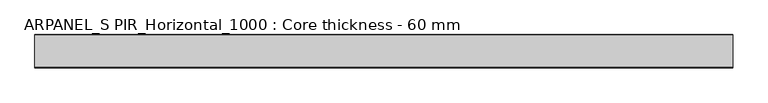
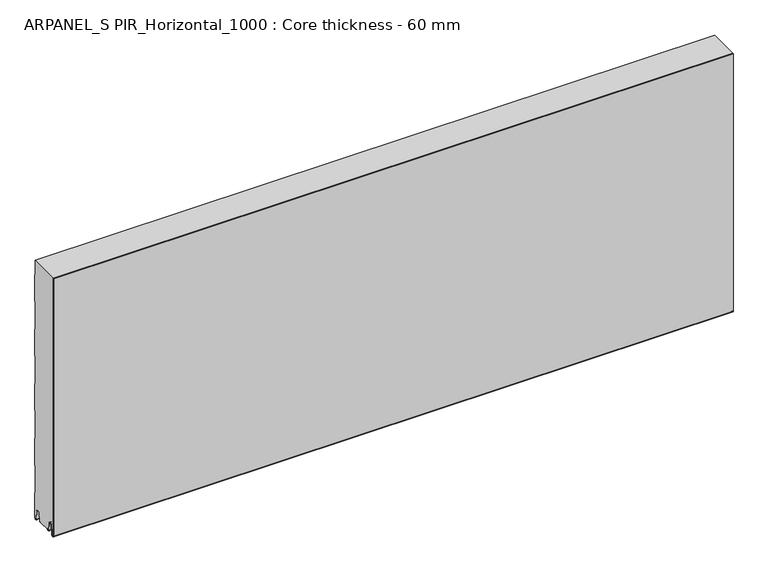
"""IFC4 building model written with IfcOpenShell, lengths in millimetres: plate geometry, ARPANEL_S PIR_Horizontal_1000 : Core thickness - 60 mm."""

from ifc_helpers import new_model, si_unit, frame, origin, place, context, project, spatial, polyline, circle_curve, source, transform, mapped, element, save
from ifc_brep_helpers import plane_surface, cylinder_surface, revolved_surface, advanced_brep


def arpanel_s_pir_horizontal_1000_core_thickness_60_mm_fd21628b(model_context):
    return source(origin(), model_context, "Body", "AdvancedBrep", [
        advanced_brep(
        [(620.0, -59.9996949, 3.0900682), (620.0, -53.81449, 2.7875612), (620.0, -52.197116, 19.2828169), (620.0, -49.1776715, 21.9898782), (620.0, -46.1582271, 19.2828169), (620.0, -44.7725998, 5.1510966), (620.0, -40.3830995, 5.365779), (620.0, -41.1830995, 5.365779), (620.0, -43.9764178, 5.2291629), (620.0, -45.3620451, 19.3608832), (620.0, -49.1776715, 22.7899182), (620.0, -52.9932979, 19.3608832), (620.0, -54.6106719, 2.8656275), (620.0, -59.1996949, 3.0900682), (620.0, -59.2, 500.0), (620.0, -59.9996949, 500.0), (-620.0, -59.1996949, 3.0900682), (-620.0, -54.6106719, 2.8656275), (-620.0, -52.9932979, 19.3608832), (-620.0, -49.1776715, 22.7899182), (-620.0, -45.3620451, 19.3608832), (-620.0, -43.9764178, 5.2291629), (-620.0, -41.1830995, 5.365779), (-620.0, -40.3830995, 5.365779), (-620.0, -44.7725998, 5.1510966), (-620.0, -46.1582271, 19.2828169), (-620.0, -49.1776715, 21.9898782), (-620.0, -52.197116, 19.2828169), (-620.0, -53.81449, 2.7875612), (-620.0, -59.9996949, 3.0900682), (-620.0, -59.9996949, 500.0), (-620.0, -59.2, 500.0)],
        [
            (0, 1, circle_curve(frame((620.0, -56.8996949, 3.0900682), z_axis=(1.0, 0.0, 0.0), x_axis=(0.0, 0.0, -1.0)), 3.1)),
            (1, 2),
            (2, 3, circle_curve(frame((620.0, -49.2114338, 18.9900682), z_axis=(-1.0, 0.0, 0.0), x_axis=(0.0, 0.0, -1.0)), 3.0)),
            (3, 4, circle_curve(frame((620.0, -49.1439093, 18.9900682), z_axis=(-1.0, 0.0, 0.0), x_axis=(0.0, 0.0, -1.0)), 3.0)),
            (4, 5),
            (5, 6, circle_curve(frame((620.0, -42.5830995, 5.365779), z_axis=(1.0, 0.0, 0.0), x_axis=(0.0, 0.0, -1.0)), 2.2)),
            (6, 7),
            (7, 8, circle_curve(frame((620.0, -42.5830995, 5.365779), z_axis=(-1.0, 0.0, 0.0), x_axis=(0.0, 0.0, -1.0)), 1.4)),
            (8, 9),
            (9, 10, circle_curve(frame((620.0, -49.1439093, 18.9900682), z_axis=(1.0, 0.0, 0.0), x_axis=(0.0, 0.0, -1.0)), 3.8)),
            (10, 11, circle_curve(frame((620.0, -49.2114338, 18.9900682), z_axis=(1.0, 0.0, 0.0), x_axis=(0.0, 0.0, -1.0)), 3.8)),
            (11, 12),
            (12, 13, circle_curve(frame((620.0, -56.8996949, 3.0900682), z_axis=(-1.0, 0.0, 0.0), x_axis=(0.0, 0.0, -1.0)), 2.3)),
            (13, 14),
            (14, 15),
            (15, 0),
            (16, 17, circle_curve(frame((-620.0, -56.8996949, 3.0900682), z_axis=(1.0, 0.0, 0.0), x_axis=(0.0, 0.0, -1.0)), 2.3)),
            (17, 18),
            (18, 19, circle_curve(frame((-620.0, -49.2114338, 18.9900682), z_axis=(-1.0, 0.0, 0.0), x_axis=(0.0, 0.0, -1.0)), 3.8)),
            (19, 20, circle_curve(frame((-620.0, -49.1439093, 18.9900682), z_axis=(-1.0, 0.0, 0.0), x_axis=(0.0, 0.0, -1.0)), 3.8)),
            (20, 21),
            (21, 22, circle_curve(frame((-620.0, -42.5830995, 5.365779), z_axis=(1.0, 0.0, 0.0), x_axis=(0.0, 0.0, -1.0)), 1.4)),
            (22, 23),
            (23, 24, circle_curve(frame((-620.0, -42.5830995, 5.365779), z_axis=(-1.0, 0.0, 0.0), x_axis=(0.0, 0.0, -1.0)), 2.2)),
            (24, 25),
            (25, 26, circle_curve(frame((-620.0, -49.1439093, 18.9900682), z_axis=(1.0, 0.0, 0.0), x_axis=(0.0, 0.0, -1.0)), 3.0)),
            (26, 27, circle_curve(frame((-620.0, -49.2114338, 18.9900682), z_axis=(1.0, 0.0, 0.0), x_axis=(0.0, 0.0, -1.0)), 3.0)),
            (27, 28),
            (28, 29, circle_curve(frame((-620.0, -56.8996949, 3.0900682), z_axis=(-1.0, 0.0, 0.0), x_axis=(0.0, 0.0, -1.0)), 3.1)),
            (29, 30),
            (30, 31),
            (31, 16),
            (13, 16),
            (31, 14),
            (12, 17),
            (11, 18),
            (10, 19),
            (9, 20),
            (8, 21),
            (7, 22),
            (6, 23),
            (5, 24),
            (4, 25),
            (3, 26),
            (2, 27),
            (1, 28),
            (0, 29),
            (15, 30),
        ],
        [
            plane_surface(frame((620.0, -60.0, 0.0), z_axis=(1.0, 0.0, 0.0), x_axis=(0.0, 1.0, 0.0))),
            plane_surface(frame((-620.0, -60.0, 0.0), z_axis=(-1.0, 0.0, 0.0), x_axis=(0.0, 1.0, 0.0))),
            plane_surface(frame((620.0, -59.2, 3.0900682), z_axis=(0.0, 1.0, 0.0), x_axis=(-1.0, 0.0, 0.0))),
            revolved_surface(polyline([(-620.0, -56.8996949, 0.7900682000000003), (620.0, -56.8996949, 0.7900682000000003)]), (620.0, -56.8996949, 3.0900682), (-1.0, 0.0, 0.0)),
            plane_surface(frame((620.0, -52.9932979, 19.3608832), z_axis=(0.0, -0.9952273999818314, 0.09758289975914787), x_axis=(-1.0, 0.0, 0.0))),
            cylinder_surface(frame((620.0, -49.2114338, 18.9900682), z_axis=(1.0, 0.0, 0.0), x_axis=(0.0, 0.0, -1.0)), 3.8),
            cylinder_surface(frame((620.0, -49.1439093, 18.9900682), z_axis=(1.0, 0.0, 0.0), x_axis=(0.0, 0.0, -1.0)), 3.8),
            plane_surface(frame((620.0, -43.9764178, 5.2291629), z_axis=(0.0, 0.9952273999818297, 0.09758289975916531), x_axis=(-1.0, 0.0, 0.0))),
            revolved_surface(polyline([(-620.0, -42.5830995, 3.965779), (620.0, -42.5830995, 3.965779)]), (620.0, -42.5830995, 5.365779), (-1.0, 0.0, 0.0)),
            plane_surface(frame((620.0, -40.3830995, 5.365779), z_axis=(0.0, 0.0, 1.0), x_axis=(-1.0, 0.0, 0.0))),
            cylinder_surface(frame((620.0, -42.5830995, 5.365779), z_axis=(1.0, 0.0, 0.0), x_axis=(0.0, 0.0, -1.0)), 2.2),
            plane_surface(frame((620.0, -46.1582271, 19.2828169), z_axis=(0.0, -0.9952273999818296, -0.09758289975916527), x_axis=(-1.0, 0.0, 0.0))),
            revolved_surface(polyline([(-620.0, -49.1439093, 15.9900682), (620.0, -49.1439093, 15.9900682)]), (620.0, -49.1439093, 18.9900682), (-1.0, 0.0, 0.0)),
            revolved_surface(polyline([(-620.0, -49.2114338, 15.9900682), (620.0, -49.2114338, 15.9900682)]), (620.0, -49.2114338, 18.9900682), (-1.0, 0.0, 0.0)),
            plane_surface(frame((620.0, -53.81449, 2.7875612), z_axis=(0.0, 0.9952273999818314, -0.09758289975914787), x_axis=(-1.0, 0.0, 0.0))),
            cylinder_surface(frame((620.0, -56.8996949, 3.0900682), z_axis=(1.0, 0.0, 0.0), x_axis=(0.0, 0.0, -1.0)), 3.1),
            plane_surface(frame((620.0, -59.9996949, 993.9000005), z_axis=(0.0, -1.0, 0.0), x_axis=(-1.0, 0.0, 0.0))),
            plane_surface(frame((-620.0, 134.0533409, 500.0), z_axis=(0.0, 0.0, 1.0), x_axis=(1.0, 0.0, 0.0))),
        ],
        [
            (0, [[1, 2, 3, 4, 5, 6, 7, 8, 9, 10, 11, 12, 13, 14, 15, 16]]),
            (1, [[17, 18, 19, 20, 21, 22, 23, 24, 25, 26, 27, 28, 29, 30, 31, 32]]),
            (2, [[33, -32, 34, -14]]),
            (3, [[-13, 35, -17, -33]]),
            (4, [[-12, 36, -18, -35]]),
            (5, [[-11, 37, -19, -36]]),
            (6, [[-10, 38, -20, -37]]),
            (7, [[-9, 39, -21, -38]]),
            (8, [[-8, 40, -22, -39]]),
            (9, [[-7, 41, -23, -40]]),
            (10, [[-6, 42, -24, -41]]),
            (11, [[-5, 43, -25, -42]]),
            (12, [[-4, 44, -26, -43]]),
            (13, [[-3, 45, -27, -44]]),
            (14, [[-2, 46, -28, -45]]),
            (15, [[-1, 47, -29, -46]]),
            (16, [[-47, -16, 48, -30]]),
            (17, [[-15, -34, -31, -48]]),
        ],
    ),
        advanced_brep(
        [(620.0, -19.3897461, 4.3921875), (620.0, -19.6169005, 5.365779), (620.0, -18.8169005, 5.365779), (620.0, -16.0235822, 5.2291629), (620.0, -14.6379549, 19.3608832), (620.0, -10.8223285, 22.7899182), (620.0, -7.0067021, 19.3608832), (620.0, -5.3893281, 2.8656275), (620.0, -0.8003051, 3.0900682), (620.0, -0.8, 49.9459237), (620.0, -1.0986697, 50.9973395), (620.0, -1.5003051, 52.4177205), (620.0, -1.5003051, 102.5775037), (620.0, -1.0971009, 103.9969151), (620.0, -0.8, 105.0493005), (620.0, -0.8, 155.2090837), (620.0, -1.0986697, 156.2604995), (620.0, -1.5003051, 157.6808805), (620.0, -1.5003051, 207.8406637), (620.0, -1.0971009, 209.2600751), (620.0, -0.8, 210.3124605), (620.0, -0.8, 260.4722437), (620.0, -1.0986697, 261.5236595), (620.0, -1.5003051, 262.9440405), (620.0, -1.5003051, 313.1038237), (620.0, -1.0971009, 314.5232351), (620.0, -0.8, 315.5756205), (620.0, -0.8, 365.7354037), (620.0, -1.0986697, 366.7868195), (620.0, -1.5003051, 368.2072005), (620.0, -1.5003051, 418.3669837), (620.0, -1.0971009, 419.7863951), (620.0, -0.8, 420.8387805), (620.0, -0.8, 470.9985637), (620.0, -1.0986697, 472.0499795), (620.0, -1.5003051, 473.4703605), (620.0, -1.5003051, 500.0), (620.0, -59.2, 500.0), (620.0, -59.2, 3.0900682), (620.0, -54.6106719, 2.8656275), (620.0, -52.9932979, 19.3608832), (620.0, -49.1776715, 22.7899182), (620.0, -45.3620451, 19.3608832), (620.0, -43.9764178, 5.2291629), (620.0, -41.1830995, 5.365779), (620.0, -40.3830995, 5.365779), (620.0, -40.6102539, 4.3921875), (-620.0, -19.6169005, 5.365779), (-620.0, -19.3897461, 4.3921875), (-620.0, -40.6102539, 4.3921875), (-620.0, -40.3830995, 5.365779), (-620.0, -41.1830995, 5.365779), (-620.0, -41.5446132, 4.4268721), (-620.0, -43.9764178, 5.2291629), (-620.0, -45.3620451, 19.3608832), (-620.0, -49.1776715, 22.7899182), (-620.0, -52.9932979, 19.3608832), (-620.0, -54.6106719, 2.8656275), (-620.0, -59.1996949, 3.0900682), (-620.0, -59.2, 500.0), (-620.0, -1.5003051, 500.0), (-620.0, -1.5003051, 473.4703605), (-620.0, -1.0971009, 472.0509491), (-620.0, -0.8, 470.9985637), (-620.0, -0.8, 420.8387805), (-620.0, -1.0986697, 419.7873646), (-620.0, -1.5003051, 418.3669837), (-620.0, -1.5003051, 368.2072005), (-620.0, -1.0971009, 366.7877891), (-620.0, -0.8, 365.7354037), (-620.0, -0.8, 315.5756205), (-620.0, -1.0986697, 314.5242046), (-620.0, -1.5003051, 313.1038237), (-620.0, -1.5003051, 262.9440405), (-620.0, -1.0971009, 261.5246291), (-620.0, -0.8, 260.4722437), (-620.0, -0.8, 210.3124605), (-620.0, -1.0986697, 209.2610446), (-620.0, -1.5003051, 207.8406637), (-620.0, -1.5003051, 157.6808805), (-620.0, -1.0971009, 156.2614691), (-620.0, -0.8, 155.2090837), (-620.0, -0.8, 105.0493005), (-620.0, -1.0986697, 103.9978846), (-620.0, -1.5003051, 102.5775037), (-620.0, -1.5003051, 52.4177205), (-620.0, -1.0971009, 50.9983091), (-620.0, -0.8, 49.9459237), (-620.0, -0.8, 3.0900682), (-620.0, -5.3893281, 2.8656275), (-620.0, -7.0067021, 19.3608832), (-620.0, -10.8223285, 22.7899182), (-620.0, -14.6379549, 19.3608832), (-620.0, -16.0235822, 5.2291629), (-620.0, -18.4553868, 4.4268721), (-620.0, -18.8169005, 5.365779)],
        [
            (0, 1, circle_curve(frame((620.0, -17.4169005, 5.365779), z_axis=(-1.0, 0.0, 0.0), x_axis=(0.0, 0.0, -1.0)), 2.2)),
            (1, 2),
            (2, 3, circle_curve(frame((620.0, -17.4169005, 5.365779), z_axis=(1.0, 0.0, 0.0), x_axis=(0.0, 0.0, -1.0)), 1.4)),
            (3, 4),
            (4, 5, circle_curve(frame((620.0, -10.8560907, 18.9900682), z_axis=(-1.0, 0.0, 0.0), x_axis=(0.0, 0.0, -1.0)), 3.8)),
            (5, 6, circle_curve(frame((620.0, -10.7885662, 18.9900682), z_axis=(-1.0, 0.0, 0.0), x_axis=(0.0, 0.0, -1.0)), 3.8)),
            (6, 7),
            (7, 8, circle_curve(frame((620.0, -3.1003051, 3.0900682), z_axis=(1.0, 0.0, 0.0), x_axis=(0.0, 0.0, -1.0)), 2.3)),
            (8, 9),
            (9, 10, circle_curve(frame((620.0, -2.8, 49.9459237), z_axis=(1.0, 0.0, 0.0), x_axis=(0.0, 0.0, -1.0)), 2.0)),
            (10, 11, circle_curve(frame((620.0, 1.1996949, 52.4177205), z_axis=(-1.0, 0.0, 0.0), x_axis=(0.0, 0.0, -1.0)), 2.7)),
            (11, 12),
            (12, 13, circle_curve(frame((620.0, 1.1996949, 102.5775037), z_axis=(-1.0, 0.0, 0.0), x_axis=(0.0, 0.0, -1.0)), 2.7)),
            (13, 14, circle_curve(frame((620.0, -2.8, 105.0493005), z_axis=(1.0, 0.0, 0.0), x_axis=(0.0, 0.0, -1.0)), 2.0)),
            (14, 15),
            (15, 16, circle_curve(frame((620.0, -2.8, 155.2090837), z_axis=(1.0, 0.0, 0.0), x_axis=(0.0, 0.0, -1.0)), 2.0)),
            (16, 17, circle_curve(frame((620.0, 1.1996949, 157.6808805), z_axis=(-1.0, 0.0, 0.0), x_axis=(0.0, 0.0, -1.0)), 2.7)),
            (17, 18),
            (18, 19, circle_curve(frame((620.0, 1.1996949, 207.8406637), z_axis=(-1.0, 0.0, 0.0), x_axis=(0.0, 0.0, -1.0)), 2.7)),
            (19, 20, circle_curve(frame((620.0, -2.8, 210.3124605), z_axis=(1.0, 0.0, 0.0), x_axis=(0.0, 0.0, -1.0)), 2.0)),
            (20, 21),
            (21, 22, circle_curve(frame((620.0, -2.8, 260.4722437), z_axis=(1.0, 0.0, 0.0), x_axis=(0.0, 0.0, -1.0)), 2.0)),
            (22, 23, circle_curve(frame((620.0, 1.1996949, 262.9440405), z_axis=(-1.0, 0.0, 0.0), x_axis=(0.0, 0.0, -1.0)), 2.7)),
            (23, 24),
            (24, 25, circle_curve(frame((620.0, 1.1996949, 313.1038237), z_axis=(-1.0, 0.0, 0.0), x_axis=(0.0, 0.0, -1.0)), 2.7)),
            (25, 26, circle_curve(frame((620.0, -2.8, 315.5756205), z_axis=(1.0, 0.0, 0.0), x_axis=(0.0, 0.0, -1.0)), 2.0)),
            (26, 27),
            (27, 28, circle_curve(frame((620.0, -2.8, 365.7354037), z_axis=(1.0, 0.0, 0.0), x_axis=(0.0, 0.0, -1.0)), 2.0)),
            (28, 29, circle_curve(frame((620.0, 1.1996949, 368.2072005), z_axis=(-1.0, 0.0, 0.0), x_axis=(0.0, 0.0, -1.0)), 2.7)),
            (29, 30),
            (30, 31, circle_curve(frame((620.0, 1.1996949, 418.3669837), z_axis=(-1.0, 0.0, 0.0), x_axis=(0.0, 0.0, -1.0)), 2.7)),
            (31, 32, circle_curve(frame((620.0, -2.8, 420.8387805), z_axis=(1.0, 0.0, 0.0), x_axis=(0.0, 0.0, -1.0)), 2.0)),
            (32, 33),
            (33, 34, circle_curve(frame((620.0, -2.8, 470.9985637), z_axis=(1.0, 0.0, 0.0), x_axis=(0.0, 0.0, -1.0)), 2.0)),
            (34, 35, circle_curve(frame((620.0, 1.1996949, 473.4703605), z_axis=(-1.0, 0.0, 0.0), x_axis=(0.0, 0.0, -1.0)), 2.7)),
            (35, 36),
            (36, 37),
            (37, 38),
            (38, 39, circle_curve(frame((620.0, -56.8996949, 3.0900682), z_axis=(1.0, 0.0, 0.0), x_axis=(0.0, 0.0, -1.0)), 2.3)),
            (39, 40),
            (40, 41, circle_curve(frame((620.0, -49.2114338, 18.9900682), z_axis=(-1.0, 0.0, 0.0), x_axis=(0.0, 0.0, -1.0)), 3.8)),
            (41, 42, circle_curve(frame((620.0, -49.1439093, 18.9900682), z_axis=(-1.0, 0.0, 0.0), x_axis=(0.0, 0.0, -1.0)), 3.8)),
            (42, 43),
            (43, 44, circle_curve(frame((620.0, -42.5830995, 5.365779), z_axis=(1.0, 0.0, 0.0), x_axis=(0.0, 0.0, -1.0)), 1.4)),
            (44, 45),
            (45, 46, circle_curve(frame((620.0, -42.5830995, 5.365779), z_axis=(-1.0, 0.0, 0.0), x_axis=(0.0, 0.0, -1.0)), 2.2)),
            (46, 0),
            (47, 48, circle_curve(frame((-620.0, -17.4169005, 5.365779), z_axis=(1.0, 0.0, 0.0), x_axis=(0.0, 0.0, -1.0)), 2.2)),
            (48, 49),
            (49, 50, circle_curve(frame((-620.0, -42.5830995, 5.365779), z_axis=(1.0, 0.0, 0.0), x_axis=(0.0, 0.0, -1.0)), 2.2)),
            (50, 51),
            (51, 52, circle_curve(frame((-620.0, -42.5830995, 5.365779), z_axis=(-1.0, 0.0, 0.0), x_axis=(0.0, 0.0, -1.0)), 1.4)),
            (52, 53, circle_curve(frame((-620.0, -42.5830995, 5.365779), z_axis=(-1.0, 0.0, 0.0), x_axis=(0.0, 0.0, -1.0)), 1.4)),
            (53, 54),
            (54, 55, circle_curve(frame((-620.0, -49.1439093, 18.9900682), z_axis=(1.0, 0.0, 0.0), x_axis=(0.0, 0.0, -1.0)), 3.8)),
            (55, 56, circle_curve(frame((-620.0, -49.2114338, 18.9900682), z_axis=(1.0, 0.0, 0.0), x_axis=(0.0, 0.0, -1.0)), 3.8)),
            (56, 57),
            (57, 58, circle_curve(frame((-620.0, -56.8996949, 3.0900682), z_axis=(-1.0, 0.0, 0.0), x_axis=(0.0, 0.0, -1.0)), 2.3)),
            (58, 59),
            (59, 60),
            (60, 61),
            (61, 62, circle_curve(frame((-620.0, 1.1996949, 473.4703605), z_axis=(1.0, 0.0, 0.0), x_axis=(0.0, 0.0, -1.0)), 2.7)),
            (62, 63, circle_curve(frame((-620.0, -2.8, 470.9985637), z_axis=(-1.0, 0.0, 0.0), x_axis=(0.0, 0.0, -1.0)), 2.0)),
            (63, 64),
            (64, 65, circle_curve(frame((-620.0, -2.8, 420.8387805), z_axis=(-1.0, 0.0, 0.0), x_axis=(0.0, 0.0, -1.0)), 2.0)),
            (65, 66, circle_curve(frame((-620.0, 1.1996949, 418.3669837), z_axis=(1.0, 0.0, 0.0), x_axis=(0.0, 0.0, -1.0)), 2.7)),
            (66, 67),
            (67, 68, circle_curve(frame((-620.0, 1.1996949, 368.2072005), z_axis=(1.0, 0.0, 0.0), x_axis=(0.0, 0.0, -1.0)), 2.7)),
            (68, 69, circle_curve(frame((-620.0, -2.8, 365.7354037), z_axis=(-1.0, 0.0, 0.0), x_axis=(0.0, 0.0, -1.0)), 2.0)),
            (69, 70),
            (70, 71, circle_curve(frame((-620.0, -2.8, 315.5756205), z_axis=(-1.0, 0.0, 0.0), x_axis=(0.0, 0.0, -1.0)), 2.0)),
            (71, 72, circle_curve(frame((-620.0, 1.1996949, 313.1038237), z_axis=(1.0, 0.0, 0.0), x_axis=(0.0, 0.0, -1.0)), 2.7)),
            (72, 73),
            (73, 74, circle_curve(frame((-620.0, 1.1996949, 262.9440405), z_axis=(1.0, 0.0, 0.0), x_axis=(0.0, 0.0, -1.0)), 2.7)),
            (74, 75, circle_curve(frame((-620.0, -2.8, 260.4722437), z_axis=(-1.0, 0.0, 0.0), x_axis=(0.0, 0.0, -1.0)), 2.0)),
            (75, 76),
            (76, 77, circle_curve(frame((-620.0, -2.8, 210.3124605), z_axis=(-1.0, 0.0, 0.0), x_axis=(0.0, 0.0, -1.0)), 2.0)),
            (77, 78, circle_curve(frame((-620.0, 1.1996949, 207.8406637), z_axis=(1.0, 0.0, 0.0), x_axis=(0.0, 0.0, -1.0)), 2.7)),
            (78, 79),
            (79, 80, circle_curve(frame((-620.0, 1.1996949, 157.6808805), z_axis=(1.0, 0.0, 0.0), x_axis=(0.0, 0.0, -1.0)), 2.7)),
            (80, 81, circle_curve(frame((-620.0, -2.8, 155.2090837), z_axis=(-1.0, 0.0, 0.0), x_axis=(0.0, 0.0, -1.0)), 2.0)),
            (81, 82),
            (82, 83, circle_curve(frame((-620.0, -2.8, 105.0493005), z_axis=(-1.0, 0.0, 0.0), x_axis=(0.0, 0.0, -1.0)), 2.0)),
            (83, 84, circle_curve(frame((-620.0, 1.1996949, 102.5775037), z_axis=(1.0, 0.0, 0.0), x_axis=(0.0, 0.0, -1.0)), 2.7)),
            (84, 85),
            (85, 86, circle_curve(frame((-620.0, 1.1996949, 52.4177205), z_axis=(1.0, 0.0, 0.0), x_axis=(0.0, 0.0, -1.0)), 2.7)),
            (86, 87, circle_curve(frame((-620.0, -2.8, 49.9459237), z_axis=(-1.0, 0.0, 0.0), x_axis=(0.0, 0.0, -1.0)), 2.0)),
            (87, 88),
            (88, 89, circle_curve(frame((-620.0, -3.1003051, 3.0900682), z_axis=(-1.0, 0.0, 0.0), x_axis=(0.0, 0.0, -1.0)), 2.3)),
            (89, 90),
            (90, 91, circle_curve(frame((-620.0, -10.7885662, 18.9900682), z_axis=(1.0, 0.0, 0.0), x_axis=(0.0, 0.0, -1.0)), 3.8)),
            (91, 92, circle_curve(frame((-620.0, -10.8560907, 18.9900682), z_axis=(1.0, 0.0, 0.0), x_axis=(0.0, 0.0, -1.0)), 3.8)),
            (92, 93),
            (93, 94, circle_curve(frame((-620.0, -17.4169005, 5.365779), z_axis=(-1.0, 0.0, 0.0), x_axis=(0.0, 0.0, -1.0)), 1.4)),
            (94, 95, circle_curve(frame((-620.0, -17.4169005, 5.365779), z_axis=(-1.0, 0.0, 0.0), x_axis=(0.0, 0.0, -1.0)), 1.4)),
            (95, 47),
            (47, 1),
            (0, 48),
            (95, 2),
            (93, 3),
            (92, 4),
            (91, 5),
            (90, 6),
            (89, 7),
            (88, 8),
            (87, 9),
            (86, 10),
            (85, 11),
            (84, 12),
            (83, 13),
            (82, 14),
            (81, 15),
            (80, 16),
            (79, 17),
            (78, 18),
            (77, 19),
            (76, 20),
            (75, 21),
            (74, 22),
            (73, 23),
            (72, 24),
            (71, 25),
            (70, 26),
            (69, 27),
            (68, 28),
            (67, 29),
            (66, 30),
            (65, 31),
            (64, 32),
            (63, 33),
            (62, 34),
            (61, 35),
            (60, 36),
            (58, 38),
            (37, 59),
            (57, 39),
            (56, 40),
            (55, 41),
            (54, 42),
            (53, 43),
            (51, 44),
            (50, 45),
            (49, 46),
        ],
        [
            plane_surface(frame((620.0, 0.0, 0.0), z_axis=(1.0, 0.0, 0.0), x_axis=(0.0, -1.0, 0.0))),
            plane_surface(frame((-620.0, 0.0, 0.0), z_axis=(-1.0, 0.0, 0.0), x_axis=(0.0, -1.0, 0.0))),
            revolved_surface(polyline([(620.0, -17.4169005, 3.1657789999999997), (-620.0, -17.4169005, 3.1657789999999997)]), (750.0, -17.4169005, 5.365779), (1.0, 0.0, 0.0)),
            plane_surface(frame((750.0, -18.8169005, 5.365779), z_axis=(0.0, 0.0, -1.0), x_axis=(-1.0, 0.0, 0.0))),
            cylinder_surface(frame((750.0, -17.4169005, 5.365779), z_axis=(-1.0, 0.0, 0.0), x_axis=(0.0, 0.0, -1.0)), 1.4),
            plane_surface(frame((750.0, -14.6379549, 19.3608832), z_axis=(0.0, 0.9952273999818297, -0.09758289975916531), x_axis=(-1.0, 0.0, 0.0))),
            revolved_surface(polyline([(620.0, -10.8560907, 15.190068199999999), (-620.0, -10.8560907, 15.190068199999999)]), (750.0, -10.8560907, 18.9900682), (1.0, 0.0, 0.0)),
            revolved_surface(polyline([(620.0, -10.7885662, 15.190068199999999), (-620.0, -10.7885662, 15.190068199999999)]), (750.0, -10.7885662, 18.9900682), (1.0, 0.0, 0.0)),
            plane_surface(frame((750.0, -5.3893281, 2.8656275), z_axis=(0.0, -0.9952273999818314, -0.09758289975914787), x_axis=(-1.0, 0.0, 0.0))),
            cylinder_surface(frame((750.0, -3.1003051, 3.0900682), z_axis=(-1.0, 0.0, 0.0), x_axis=(0.0, 0.0, -1.0)), 2.3),
            plane_surface(frame((750.0, -0.8, 49.9459237), z_axis=(0.0, 1.0, 0.0), x_axis=(-1.0, 0.0, 0.0))),
            cylinder_surface(frame((750.0, -2.8, 49.9459237), z_axis=(-1.0, 0.0, 0.0), x_axis=(0.0, 0.0, -1.0)), 2.0),
            revolved_surface(polyline([(620.0, 1.1996949, 49.7177205), (-620.0, 1.1996949, 49.7177205)]), (750.0, 1.1996949, 52.4177205), (1.0, 0.0, 0.0)),
            plane_surface(frame((750.0, -1.5003051, 102.5775037), z_axis=(0.0, 1.0, 0.0), x_axis=(-1.0, 0.0, 0.0))),
            revolved_surface(polyline([(620.0, 1.1996949, 99.87750369999999), (-620.0, 1.1996949, 99.87750369999999)]), (750.0, 1.1996949, 102.5775037), (1.0, 0.0, 0.0)),
            cylinder_surface(frame((750.0, -2.8, 105.0493005), z_axis=(-1.0, 0.0, 0.0), x_axis=(0.0, 0.0, -1.0)), 2.0),
            plane_surface(frame((750.0, -0.8, 155.2090837), z_axis=(0.0, 1.0, 0.0), x_axis=(-1.0, 0.0, 0.0))),
            cylinder_surface(frame((750.0, -2.8, 155.2090837), z_axis=(-1.0, 0.0, 0.0), x_axis=(0.0, 0.0, -1.0)), 2.0),
            revolved_surface(polyline([(620.0, 1.1996949, 154.9808805), (-620.0, 1.1996949, 154.9808805)]), (750.0, 1.1996949, 157.6808805), (1.0, 0.0, 0.0)),
            plane_surface(frame((750.0, -1.5003051, 207.8406637), z_axis=(0.0, 1.0, 0.0), x_axis=(-1.0, 0.0, 0.0))),
            revolved_surface(polyline([(620.0, 1.1996949, 205.1406637), (-620.0, 1.1996949, 205.1406637)]), (750.0, 1.1996949, 207.8406637), (1.0, 0.0, 0.0)),
            cylinder_surface(frame((750.0, -2.8, 210.3124605), z_axis=(-1.0, 0.0, 0.0), x_axis=(0.0, 0.0, -1.0)), 2.0),
            plane_surface(frame((750.0, -0.8, 260.4722437), z_axis=(0.0, 1.0, 0.0), x_axis=(-1.0, 0.0, 0.0))),
            cylinder_surface(frame((750.0, -2.8, 260.4722437), z_axis=(-1.0, 0.0, 0.0), x_axis=(0.0, 0.0, -1.0)), 2.0),
            revolved_surface(polyline([(620.0, 1.1996949, 260.24404050000004), (-620.0, 1.1996949, 260.24404050000004)]), (750.0, 1.1996949, 262.9440405), (1.0, 0.0, 0.0)),
            plane_surface(frame((750.0, -1.5003051, 313.1038237), z_axis=(0.0, 1.0, 0.0), x_axis=(-1.0, 0.0, 0.0))),
            revolved_surface(polyline([(620.0, 1.1996949, 310.40382370000003), (-620.0, 1.1996949, 310.40382370000003)]), (750.0, 1.1996949, 313.1038237), (1.0, 0.0, 0.0)),
            cylinder_surface(frame((750.0, -2.8, 315.5756205), z_axis=(-1.0, 0.0, 0.0), x_axis=(0.0, 0.0, -1.0)), 2.0),
            plane_surface(frame((750.0, -0.8, 365.7354037), z_axis=(0.0, 1.0, 0.0), x_axis=(-1.0, 0.0, 0.0))),
            cylinder_surface(frame((750.0, -2.8, 365.7354037), z_axis=(-1.0, 0.0, 0.0), x_axis=(0.0, 0.0, -1.0)), 2.0),
            revolved_surface(polyline([(620.0, 1.1996949, 365.5072005), (-620.0, 1.1996949, 365.5072005)]), (750.0, 1.1996949, 368.2072005), (1.0, 0.0, 0.0)),
            plane_surface(frame((750.0, -1.5003051, 418.3669837), z_axis=(0.0, 1.0, 0.0), x_axis=(-1.0, 0.0, 0.0))),
            revolved_surface(polyline([(620.0, 1.1996949, 415.6669837), (-620.0, 1.1996949, 415.6669837)]), (750.0, 1.1996949, 418.3669837), (1.0, 0.0, 0.0)),
            cylinder_surface(frame((750.0, -2.8, 420.8387805), z_axis=(-1.0, 0.0, 0.0), x_axis=(0.0, 0.0, -1.0)), 2.0),
            plane_surface(frame((750.0, -0.8, 470.9985637), z_axis=(0.0, 1.0, 0.0), x_axis=(-1.0, 0.0, 0.0))),
            cylinder_surface(frame((750.0, -2.8, 470.9985637), z_axis=(-1.0, 0.0, 0.0), x_axis=(0.0, 0.0, -1.0)), 2.0),
            revolved_surface(polyline([(620.0, 1.1996949, 470.77036050000004), (-620.0, 1.1996949, 470.77036050000004)]), (750.0, 1.1996949, 473.4703605), (1.0, 0.0, 0.0)),
            plane_surface(frame((750.0, -1.5003051, 523.6301437), z_axis=(0.0, 1.0, 0.0), x_axis=(-1.0, 0.0, 0.0))),
            plane_surface(frame((750.0, -59.2, 3.0900682), z_axis=(0.0, -1.0, 0.0), x_axis=(-1.0, 0.0, 0.0))),
            cylinder_surface(frame((750.0, -56.8996949, 3.0900682), z_axis=(-1.0, 0.0, 0.0), x_axis=(0.0, 0.0, -1.0)), 2.3),
            plane_surface(frame((750.0, -52.9932979, 19.3608832), z_axis=(0.0, 0.9952273999818314, -0.09758289975914787), x_axis=(-1.0, 0.0, 0.0))),
            revolved_surface(polyline([(620.0, -49.2114338, 15.190068199999999), (-620.0, -49.2114338, 15.190068199999999)]), (750.0, -49.2114338, 18.9900682), (1.0, 0.0, 0.0)),
            revolved_surface(polyline([(620.0, -49.1439093, 15.190068199999999), (-620.0, -49.1439093, 15.190068199999999)]), (750.0, -49.1439093, 18.9900682), (1.0, 0.0, 0.0)),
            plane_surface(frame((750.0, -43.9764178, 5.2291629), z_axis=(0.0, -0.9952273999818297, -0.09758289975916531), x_axis=(-1.0, 0.0, 0.0))),
            cylinder_surface(frame((750.0, -42.5830995, 5.365779), z_axis=(-1.0, 0.0, 0.0), x_axis=(0.0, 0.0, -1.0)), 1.4),
            plane_surface(frame((750.0, -40.3830995, 5.365779), z_axis=(0.0, 0.0, -1.0), x_axis=(-1.0, 0.0, 0.0))),
            revolved_surface(polyline([(620.0, -42.5830995, 3.1657789999999997), (-620.0, -42.5830995, 3.1657789999999997)]), (750.0, -42.5830995, 5.365779), (1.0, 0.0, 0.0)),
            plane_surface(frame((620.0, -41.50625, 4.3921875), z_axis=(0.0, 0.0, -1.0), x_axis=(-1.0, 0.0, 0.0))),
            plane_surface(frame((-620.0, 134.0533409, 500.0), z_axis=(0.0, 0.0, 1.0), x_axis=(1.0, 0.0, 0.0))),
        ],
        [
            (0, [[1, 2, 3, 4, 5, 6, 7, 8, 9, 10, 11, 12, 13, 14, 15, 16, 17, 18, 19, 20, 21, 22, 23, 24, 25, 26, 27, 28, 29, 30, 31, 32, 33, 34, 35, 36, 37, 38, 39, 40, 41, 42, 43, 44, 45, 46, 47]]),
            (1, [[48, 49, 50, 51, 52, 53, 54, 55, 56, 57, 58, 59, 60, 61, 62, 63, 64, 65, 66, 67, 68, 69, 70, 71, 72, 73, 74, 75, 76, 77, 78, 79, 80, 81, 82, 83, 84, 85, 86, 87, 88, 89, 90, 91, 92, 93, 94, 95, 96]]),
            (2, [[97, -1, 98, -48]]),
            (3, [[-97, -96, 99, -2]]),
            (4, [[-99, -95, -94, 100, -3]]),
            (5, [[-100, -93, 101, -4]]),
            (6, [[-101, -92, 102, -5]]),
            (7, [[-102, -91, 103, -6]]),
            (8, [[-103, -90, 104, -7]]),
            (9, [[-104, -89, 105, -8]]),
            (10, [[-105, -88, 106, -9]]),
            (11, [[-106, -87, 107, -10]]),
            (12, [[-107, -86, 108, -11]]),
            (13, [[-108, -85, 109, -12]]),
            (14, [[-109, -84, 110, -13]]),
            (15, [[-110, -83, 111, -14]]),
            (16, [[-111, -82, 112, -15]]),
            (17, [[-112, -81, 113, -16]]),
            (18, [[-113, -80, 114, -17]]),
            (19, [[-114, -79, 115, -18]]),
            (20, [[-115, -78, 116, -19]]),
            (21, [[-116, -77, 117, -20]]),
            (22, [[-117, -76, 118, -21]]),
            (23, [[-118, -75, 119, -22]]),
            (24, [[-119, -74, 120, -23]]),
            (25, [[-120, -73, 121, -24]]),
            (26, [[-121, -72, 122, -25]]),
            (27, [[-122, -71, 123, -26]]),
            (28, [[-123, -70, 124, -27]]),
            (29, [[-124, -69, 125, -28]]),
            (30, [[-125, -68, 126, -29]]),
            (31, [[-126, -67, 127, -30]]),
            (32, [[-127, -66, 128, -31]]),
            (33, [[-128, -65, 129, -32]]),
            (34, [[-129, -64, 130, -33]]),
            (35, [[-130, -63, 131, -34]]),
            (36, [[-131, -62, 132, -35]]),
            (37, [[-132, -61, 133, -36]]),
            (38, [[134, -38, 135, -59]]),
            (39, [[-134, -58, 136, -39]]),
            (40, [[-136, -57, 137, -40]]),
            (41, [[-137, -56, 138, -41]]),
            (42, [[-138, -55, 139, -42]]),
            (43, [[-139, -54, 140, -43]]),
            (44, [[-140, -53, -52, 141, -44]]),
            (45, [[-141, -51, 142, -45]]),
            (46, [[-142, -50, 143, -46]]),
            (47, [[-98, -47, -143, -49]]),
            (48, [[-133, -60, -135, -37]]),
        ],
    ),
    ])


if __name__ == "__main__":
    model = new_model("IFC4")
    model_context = context("Model", 3, world=origin())
    ifc_project = project(units=[si_unit("LENGTHUNIT", "METRE", prefix="MILLI")], contexts=[model_context])
    site = spatial("IfcSite", under=ifc_project)
    building = spatial("IfcBuilding", under=site)
    placement = place(None, origin())
    arpanel_s_pir_horizontal_1000_core_thickness_60_mm_shape = arpanel_s_pir_horizontal_1000_core_thickness_60_mm_fd21628b(model_context)
    element("IfcPlate", 1, ObjectType="ARPANEL_S PIR_Horizontal_1000 : Core thickness - 60 mm", at=placement, inside=building, context=model_context, shape_type="MappedRepresentation", body=[
        mapped(arpanel_s_pir_horizontal_1000_core_thickness_60_mm_shape, transform((0.0, 0.0, 0.0), x_axis=(1.0, 0.0, 0.0), y_axis=(0.0, 1.0, 0.0), z_axis=(0.0, 0.0, 1.0))),
    ])
    save(model, "model.ifc")
